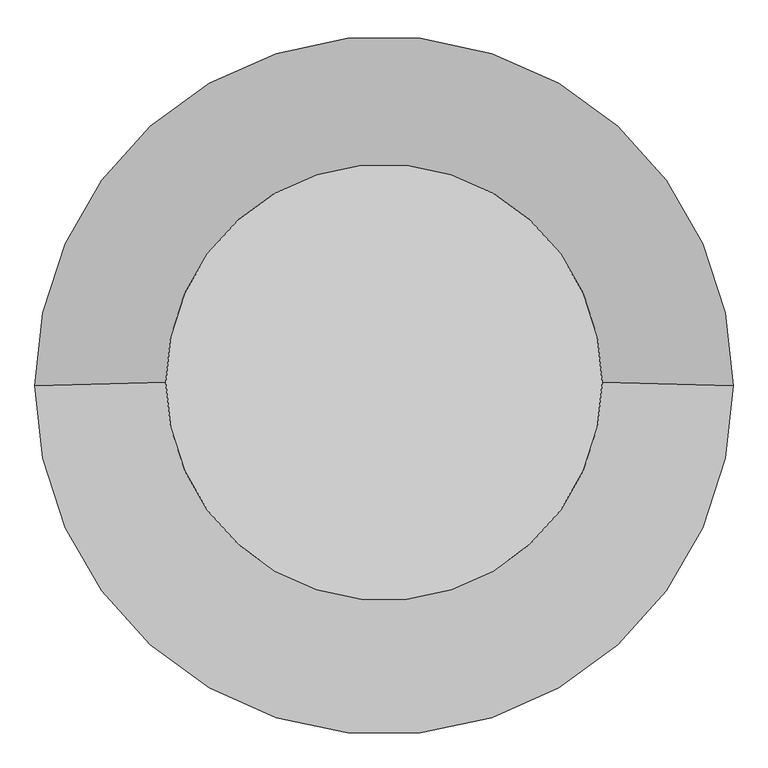
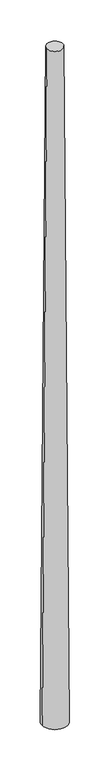
"""IFC4 building model written with IfcOpenShell, lengths in millimetres: proxy geometry."""

from ifc_helpers import new_model, si_unit, frame, origin, place, context, project, spatial, polyline, circle_curve, source, transform, mapped, element, save
from ifc_brep_helpers import plane_surface, revolved_surface, advanced_brep


def generic_models_d43d26f6(model_context):
    return source(origin(), model_context, "Body", "AdvancedBrep", [
        advanced_brep(
        [(-500.0, 0.0, 45000.0), (500.0, 0.0, 45000.0), (-800.0, 0.0, 0.0), (800.0, 0.0, 0.0)],
        [
            (0, 1, circle_curve(frame((0.0, 0.0, 45000.0), z_axis=(0.0, 0.0, 1.0), x_axis=(-1.0, 0.0, 0.0)), 500.0)),
            (1, 0, circle_curve(frame((0.0, 0.0, 45000.0), z_axis=(0.0, 0.0, 1.0), x_axis=(1.0, 0.0, 0.0)), 500.0)),
            (2, 3, circle_curve(frame((0.0, 0.0, 0.0), z_axis=(0.0, 0.0, -1.0), x_axis=(1.0, 0.0, 0.0)), 800.0)),
            (3, 2, circle_curve(frame((0.0, 0.0, 0.0), z_axis=(0.0, 0.0, -1.0), x_axis=(-1.0, 0.0, 0.0)), 800.0)),
            (3, 1),
            (0, 2),
        ],
        [
            plane_surface(frame((0.0, 0.0, 45000.0), z_axis=(0.0, 0.0, 1.0), x_axis=(0.0, -1.0, 0.0))),
            plane_surface(frame((0.0, 0.0, 0.0), z_axis=(0.0, 0.0, -1.0), x_axis=(0.0, -1.0, 0.0))),
            revolved_surface(polyline([(-500.00000000025, 0.0, 45000.0), (-800.0, 0.0, 0.0)]), (0.0, 0.0, 120000.0000001), (0.0, 0.0, -1.0)),
            revolved_surface(polyline([(500.00000000025, 0.0, 45000.0), (800.0, 0.0, 0.0)]), (0.0, 0.0, 120000.0000001), (0.0, 0.0, -1.0)),
        ],
        [
            (0, [[1, 2]]),
            (1, [[3, 4]]),
            (2, [[-4, 5, -1, 6]]),
            (3, [[-3, -6, -2, -5]]),
        ],
    ),
    ])


if __name__ == "__main__":
    model = new_model("IFC4")
    model_context = context("Model", 3, world=origin())
    ifc_project = project(units=[si_unit("LENGTHUNIT", "METRE", prefix="MILLI")], contexts=[model_context])
    site = spatial("IfcSite", under=ifc_project)
    building = spatial("IfcBuilding", under=site)
    placement = place(None, origin())
    generic_models_shape = generic_models_d43d26f6(model_context)
    element("IfcBuildingElementProxy", 1, Name="Generic Models", at=placement, inside=building, context=model_context, shape_type="MappedRepresentation", body=[
        mapped(generic_models_shape, transform((0.0, 0.0, 0.0), x_axis=(1.0, 0.0, 0.0), y_axis=(0.0, 1.0, 0.0), z_axis=(0.0, 0.0, 1.0))),
    ])
    save(model, "model.ifc")
